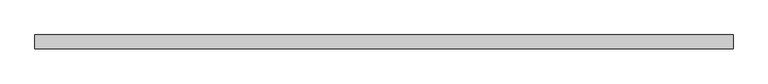
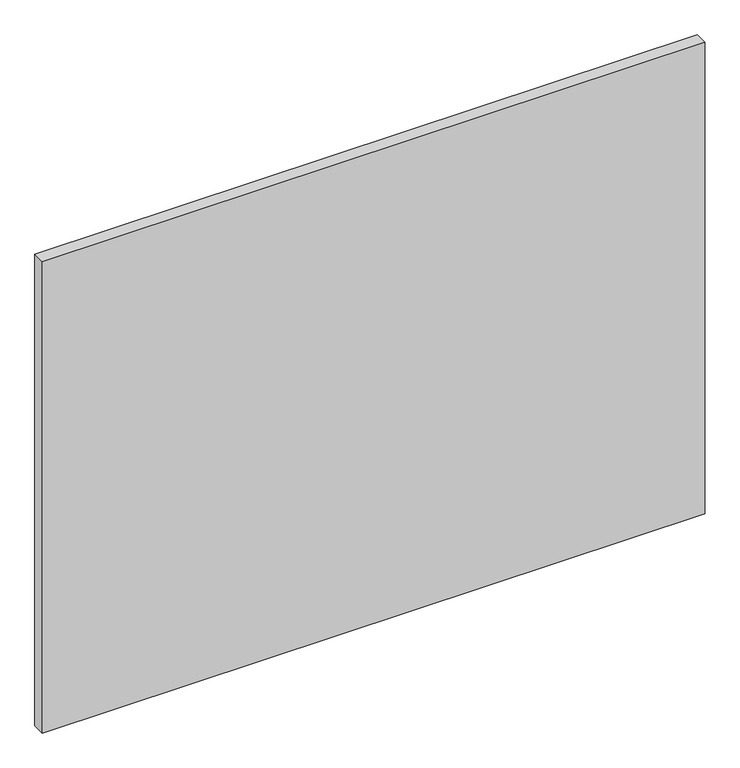
"""IFC4 building model written with IfcOpenShell, lengths in millimetres: plate geometry."""

from ifc_helpers import new_model, si_unit, origin, origin_with_axes, place, context, project, spatial, polyline, outline, extrude, source, transform, mapped, element, save


def plate_5eee159c(model_context):
    return source(origin(), model_context, "Body", "SweptSolid", [
        extrude(outline(polyline([(893.8125, -17.5), (-893.8125, -17.5), (-893.8125, 17.5), (893.8125, 17.5), (893.8125, -17.5)])), origin_with_axes(), (0.0, 0.0, 1.0), 1343.8125),
    ])


if __name__ == "__main__":
    model = new_model("IFC4")
    model_context = context("Model", 3, world=origin())
    ifc_project = project(units=[si_unit("LENGTHUNIT", "METRE", prefix="MILLI")], contexts=[model_context])
    site = spatial("IfcSite", under=ifc_project)
    building = spatial("IfcBuilding", under=site)
    placement = place(None, origin())
    plate_shape = plate_5eee159c(model_context)
    element("IfcPlate", 1, at=placement, inside=building, context=model_context, shape_type="MappedRepresentation", body=[
        mapped(plate_shape, transform((0.0, 0.0, 0.0), x_axis=(1.0, 0.0, 0.0), y_axis=(0.0, 1.0, 0.0), z_axis=(0.0, 0.0, 1.0))),
    ])
    save(model, "model.ifc")
